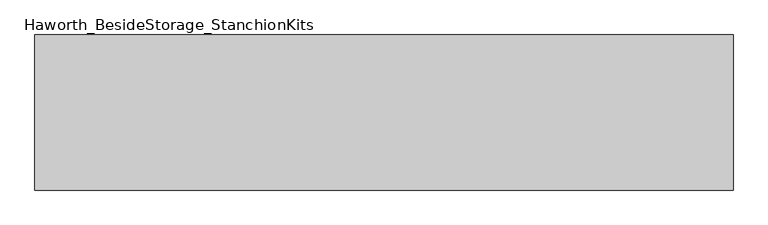
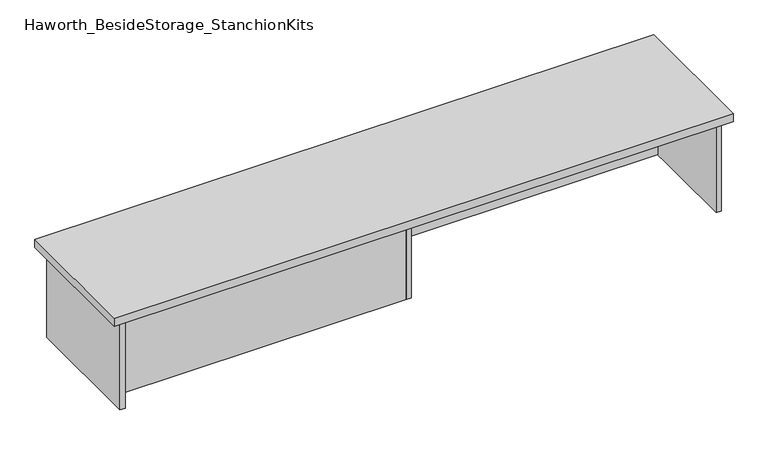
"""IFC4 building model written with IfcOpenShell, lengths in millimetres: furniture geometry, Haworth_BesideStorage_StanchionKits."""

import ifcopenshell
import ifcopenshell.guid

model = None  # the IFC model being written
_history = None  # IfcOwnerHistory: only IFC2X3 demands one
_inside = {}  # id of a spatial element -> (the spatial element, [elements in it])
_under = {}  # id of a project, library or spatial element -> (it, [spatial elements below it])
_declared = {}  # id of a project -> (the project, [libraries it declares])
_typed = {}  # id of a type object -> (the type object, [elements of that type])
_made_of = {}  # id of a material, layer set ... -> (it, [elements and type objects made of it])


def new_model(schema):
    """Start an empty IFC model of exactly this schema.

    Asked for "IFC4X3", IfcOpenShell would pick the latest addendum, in which some entities
    have other attributes; the version numbers below select the first issue.
    IFC2X3 requires an IfcOwnerHistory on every rooted entity: one is made here for all.
    """
    global model, _history
    if schema == "IFC4X3":
        model = ifcopenshell.file(schema_version=(4, 3, 0, 0))
    else:
        model = ifcopenshell.file(schema=schema)
    _inside.clear()
    _under.clear()
    _declared.clear()
    _typed.clear()
    _made_of.clear()
    _history = None
    if model.schema == "IFC2X3":
        org = make("IfcOrganization", Name="unknown")
        user = make(
            "IfcPersonAndOrganization",
            ThePerson=make("IfcPerson", FamilyName="unknown"),
            TheOrganization=org,
        )
        app = make(
            "IfcApplication",
            ApplicationDeveloper=org,
            Version="unknown",
            ApplicationFullName="unknown",
            ApplicationIdentifier="unknown",
        )
        _history = make(
            "IfcOwnerHistory",
            OwningUser=user,
            OwningApplication=app,
            ChangeAction="ADDED",
            CreationDate=0,
        )
    return model


def make(cls, **values):
    """One entity of the class cls with the attributes given. An attribute that is None is left unset."""
    return model.create_entity(
        cls, **{name: value for name, value in values.items() if value is not None}
    )


def rooted(cls, **values):
    """An entity with a GlobalId (a new one), such as an element, a storey or a relation."""
    return make(cls, GlobalId=ifcopenshell.guid.new(), OwnerHistory=_history, **values)


def si_unit(unit_type, name, prefix=None):
    """IfcSIUnit, for example si_unit("LENGTHUNIT", "METRE", prefix="MILLI")."""
    return make("IfcSIUnit", UnitType=unit_type, Prefix=prefix, Name=name)


def assignment(units):
    """IfcUnitAssignment: the units of a project."""
    return None if units is None else make("IfcUnitAssignment", Units=units)


def point(xyz):
    """IfcCartesianPoint."""
    return None if xyz is None else make("IfcCartesianPoint", Coordinates=xyz)


def direction(xyz):
    """IfcDirection."""
    return None if xyz is None else make("IfcDirection", DirectionRatios=xyz)


def frame(location, z_axis=None, x_axis=None):
    """IfcAxis2Placement3D, a coordinate frame: its origin and axes. An axis left out is left unset."""
    return make(
        "IfcAxis2Placement3D",
        Location=point(location),
        Axis=direction(z_axis),
        RefDirection=direction(x_axis),
    )


def origin():
    """The frame at (0, 0, 0) with its axes left unset."""
    return frame((0.0, 0.0, 0.0))


def place(relative_to, where):
    """IfcLocalPlacement: puts the frame where relative to a parent placement (None: the world)."""
    return make(
        "IfcLocalPlacement", PlacementRelTo=relative_to, RelativePlacement=where
    )


def context(
    kind, dimensions, precision=None, world=None, true_north=None, identifier=None
):
    """IfcGeometricRepresentationContext, for example the 3D "Model" context."""
    return make(
        "IfcGeometricRepresentationContext",
        ContextIdentifier=identifier,
        ContextType=kind,
        CoordinateSpaceDimension=dimensions,
        Precision=precision,
        WorldCoordinateSystem=world,
        TrueNorth=true_north,
    )


def project(units=None, contexts=None):
    """IfcProject with its units and contexts."""
    return rooted(
        "IfcProject",
        Name="project",
        RepresentationContexts=contexts,
        UnitsInContext=assignment(units),
    )


def spatial(cls, under=None, at=None, **own):
    """A site, building, storey or space (cls), placed at a placement, below another one or the project."""
    s = rooted(cls, ObjectPlacement=at, **own)
    if under is not None:
        _under.setdefault(under.id(), (under, []))[1].append(s)
    return s


def polyline(points):
    """IfcPolyline through the points."""
    return make("IfcPolyline", Points=[point(p) for p in points])


def outline(outer, holes=None, kind="AREA"):
    """IfcArbitraryClosedProfileDef: a profile drawn as a closed curve; with holes, ...WithVoids."""
    if holes is None:
        return make("IfcArbitraryClosedProfileDef", ProfileType=kind, OuterCurve=outer)
    return make(
        "IfcArbitraryProfileDefWithVoids",
        ProfileType=kind,
        OuterCurve=outer,
        InnerCurves=holes,
    )


def extrude(swept, where, along, depth):
    """IfcExtrudedAreaSolid: the profile swept, set in the frame where, extruded along a direction by depth."""
    return make(
        "IfcExtrudedAreaSolid",
        SweptArea=swept,
        Position=where,
        ExtrudedDirection=direction(along),
        Depth=depth,
    )


def shape(context_of_items, identifier, shape_type, items):
    """IfcShapeRepresentation: the items that make up one representation, for example the "Body"."""
    return make(
        "IfcShapeRepresentation",
        ContextOfItems=context_of_items,
        RepresentationIdentifier=identifier,
        RepresentationType=shape_type,
        Items=items,
    )


def source(mapping_origin, context_of_items, identifier, shape_type, items):
    """IfcRepresentationMap: a shape defined once, which mapped items show again and again."""
    return make(
        "IfcRepresentationMap",
        MappingOrigin=mapping_origin,
        MappedRepresentation=shape(context_of_items, identifier, shape_type, items),
    )


def transform(
    local_origin,
    x_axis=None,
    y_axis=None,
    z_axis=None,
    scale=None,
    scale2=None,
    scale3=None,
    uniform=True,
):
    """IfcCartesianTransformationOperator3D, or its non-uniform kind. x_axis, y_axis, z_axis: its Axis1, 2, 3."""
    if uniform:
        return make(
            "IfcCartesianTransformationOperator3D",
            Axis1=direction(x_axis),
            Axis2=direction(y_axis),
            LocalOrigin=point(local_origin),
            Scale=scale,
            Axis3=direction(z_axis),
        )
    return make(
        "IfcCartesianTransformationOperator3DnonUniform",
        Axis1=direction(x_axis),
        Axis2=direction(y_axis),
        LocalOrigin=point(local_origin),
        Scale=scale,
        Axis3=direction(z_axis),
        Scale2=scale2,
        Scale3=scale3,
    )


def mapped(mapping_source, mapping_target):
    """IfcMappedItem: shows the shape of a source again, moved by a transform."""
    return make(
        "IfcMappedItem", MappingSource=mapping_source, MappingTarget=mapping_target
    )


def made_of(thing, what):
    """Note that an element or type object is made of a material, layer set ...; save() writes the relation."""
    if what is not None:
        _made_of.setdefault(what.id(), (what, []))[1].append(thing)
    return thing


def element(
    cls,
    number,
    at=None,
    inside=None,
    cuts=None,
    type_object=None,
    material=None,
    context=None,
    identifier="Body",
    shape_type=None,
    held_by="IfcProductDefinitionShape",
    body=None,
    shapes=None,
    **own,
):
    """One element of the class cls, such as IfcWall. Its Tag is "e" and its number.

    at: its placement. inside: the storey or other place that contains it. cuts: it is an
    opening in that element (IfcRelVoidsElement). A single representation is given by context,
    identifier, shape_type and body (its items); several are given by shapes. held_by: the class
    of the entity that holds the representations. save() writes the other relations.
    """
    e = rooted(cls, Tag="e%d" % number, ObjectPlacement=at, **own)
    if body is not None:
        shapes = [shape(context, identifier, shape_type, body)]
    if shapes is not None:
        e.Representation = make(held_by, Representations=shapes)
    if inside is not None:
        _inside.setdefault(inside.id(), (inside, []))[1].append(e)
    if cuts is not None:
        rooted(
            "IfcRelVoidsElement", RelatingBuildingElement=cuts, RelatedOpeningElement=e
        )
    if type_object is not None:
        _typed.setdefault(type_object.id(), (type_object, []))[1].append(e)
    return made_of(e, material)


def aggregate(whole, parts):
    """IfcRelAggregates: a whole, such as a stair, and the parts it consists of."""
    return rooted("IfcRelAggregates", RelatingObject=whole, RelatedObjects=parts)


def save(model, path):
    """Write the relations noted so far, then the file.

    IfcRelAggregates (storeys below a building ...), IfcRelContainedInSpatialStructure (elements
    in a storey), IfcRelDefinesByType, IfcRelAssociatesMaterial and IfcRelDeclares: one each for
    every whole, place, type object, material and project.
    """
    for whole, parts in _under.values():
        aggregate(whole, parts)
    for where, things in _inside.values():
        rooted(
            "IfcRelContainedInSpatialStructure",
            RelatedElements=things,
            RelatingStructure=where,
        )
    for kind, things in _typed.values():
        rooted("IfcRelDefinesByType", RelatedObjects=things, RelatingType=kind)
    for what, things in _made_of.values():
        rooted("IfcRelAssociatesMaterial", RelatedObjects=things, RelatingMaterial=what)
    for by, libraries in _declared.values():
        rooted("IfcRelDeclares", RelatingContext=by, RelatedDefinitions=libraries)
    model.write(path)


def haworth_besidestorage_stanchionkits_bc94bd6e(model_context):
    return source(origin(), model_context, "Body", "SweptSolid", [
        extrude(outline(polyline([(1076.325, 0.0), (1076.325, -406.4), (-752.475, -406.4), (-752.475, 0.0), (1076.325, 0.0)])), frame((0.0, 0.0, 711.2), z_axis=(0.0, 0.0, 1.0), x_axis=(1.0, 0.0, 0.0)), (0.0, 0.0, 1.0), 25.4),
        extrude(outline(polyline([(169.8625, -76.2), (1035.05, -76.2), (1035.05, -92.075), (169.8625, -92.075), (169.8625, -76.2)])), frame((0.0, 0.0, 431.8), z_axis=(0.0, 0.0, 1.0), x_axis=(1.0, 0.0, 0.0)), (0.0, 0.0, 1.0), 279.4),
        extrude(outline(polyline([(153.9875, -314.325), (153.9875, -330.2), (-711.2, -330.2), (-711.2, -314.325), (153.9875, -314.325)])), frame((0.0, 0.0, 431.8), z_axis=(0.0, 0.0, 1.0), x_axis=(1.0, 0.0, 0.0)), (0.0, 0.0, 1.0), 279.4),
        extrude(outline(polyline([(169.8625, -330.2), (153.9875, -330.2), (153.9875, -76.2), (169.8625, -76.2), (169.8625, -330.2)])), frame((0.0, 0.0, 431.8), z_axis=(0.0, 0.0, 1.0), x_axis=(1.0, 0.0, 0.0)), (0.0, 0.0, 1.0), 279.4),
        extrude(outline(polyline([(1050.925, -390.525), (1035.05, -390.525), (1035.05, -15.875), (1050.925, -15.875), (1050.925, -390.525)])), frame((0.0, 0.0, 431.8), z_axis=(0.0, 0.0, 1.0), x_axis=(1.0, 0.0, 0.0)), (0.0, 0.0, 1.0), 279.4),
        extrude(outline(polyline([(-711.2, -390.525), (-727.075, -390.525), (-727.075, -15.875), (-711.2, -15.875), (-711.2, -390.525)])), frame((0.0, 0.0, 431.8), z_axis=(0.0, 0.0, 1.0), x_axis=(1.0, 0.0, 0.0)), (0.0, 0.0, 1.0), 279.4),
    ])


if __name__ == "__main__":
    model = new_model("IFC4")
    model_context = context("Model", 3, world=origin())
    ifc_project = project(units=[si_unit("LENGTHUNIT", "METRE", prefix="MILLI")], contexts=[model_context])
    site = spatial("IfcSite", under=ifc_project)
    building = spatial("IfcBuilding", under=site)
    placement = place(None, origin())
    haworth_besidestorage_stanchionkits_shape = haworth_besidestorage_stanchionkits_bc94bd6e(model_context)
    element("IfcFurniture", 1, ObjectType="Haworth_BesideStorage_StanchionKits", at=placement, inside=building, context=model_context, shape_type="MappedRepresentation", body=[
        mapped(haworth_besidestorage_stanchionkits_shape, transform((0.0, 0.0, 0.0), x_axis=(1.0, 0.0, 0.0), y_axis=(0.0, 1.0, 0.0), z_axis=(0.0, 0.0, 1.0))),
    ])
    save(model, "model.ifc")
